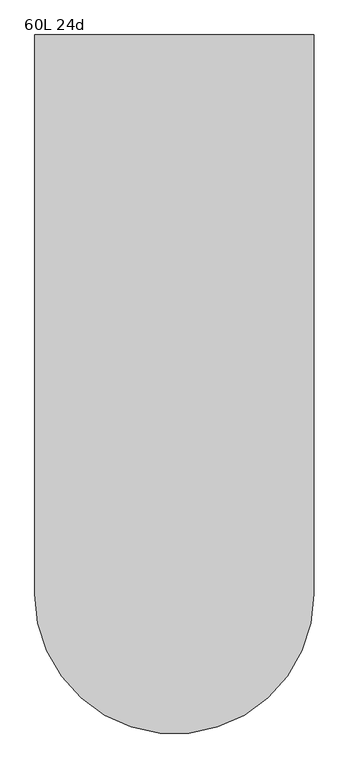
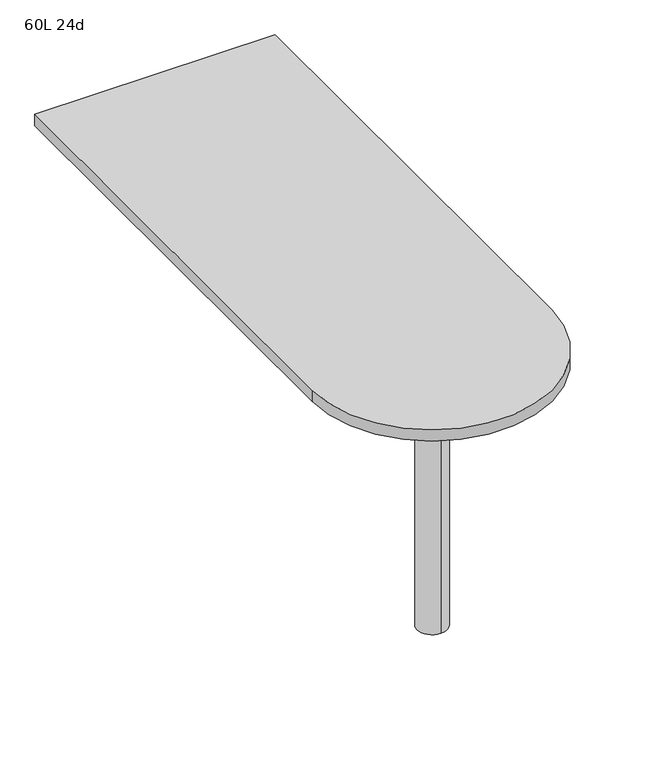
"""IFC4 building model written with IfcOpenShell, lengths in millimetres: furniture geometry, 60L 24d."""

from ifc_helpers import new_model, si_unit, point, frame, frame_2d, origin, place, context, project, spatial, polyline, circle_curve, trimmed, segment, composite_curve, outline, extrude, source, transform, mapped, element, save
from ifc_brep_helpers import plane_surface, cylinder_surface, advanced_brep


def furniture_60l_24d_52c4241e(model_context):
    return source(origin(), model_context, "Body", "SolidModel", [
        advanced_brep(
        [(0.0, -419.1, 706.4375), (0.0, -495.3, 706.4375), (0.0, -457.2, 706.4375), (0.0, -419.1, 0.0), (0.0, -495.3, 0.0), (0.0, -457.2, 0.0)],
        [
            (0, 1, circle_curve(frame((0.0, -457.2, 706.4375), z_axis=(0.0, 0.0, 1.0), x_axis=(0.0, -1.0, 0.0)), 38.1)),
            (1, 2),
            (2, 0),
            (1, 0, circle_curve(frame((0.0, -457.2, 706.4375), z_axis=(0.0, 0.0, 1.0), x_axis=(0.0, -1.0, 0.0)), 38.1)),
            (3, 4, circle_curve(frame((0.0, -457.2, 0.0), z_axis=(0.0, 0.0, 1.0), x_axis=(0.0, -1.0, 0.0)), 38.1)),
            (4, 1),
            (0, 3),
            (4, 3, circle_curve(frame((0.0, -457.2, 0.0), z_axis=(0.0, 0.0, 1.0), x_axis=(0.0, -1.0, 0.0)), 38.1)),
            (5, 4),
            (3, 5),
        ],
        [
            plane_surface(frame((0.0, -457.2, 706.4375), z_axis=(0.0, 0.0, 1.0), x_axis=(0.0, -1.0, 0.0))),
            cylinder_surface(frame((0.0, -457.2, 889.623257), z_axis=(0.0, 0.0, -1.0), x_axis=(0.0, -1.0, 0.0)), 38.1),
            plane_surface(frame((0.0, -457.2, 0.0), z_axis=(0.0, 0.0, -1.0), x_axis=(0.0, -1.0, 0.0))),
        ],
        [
            (0, [[1, 2, 3]]),
            (0, [[4, -3, -2]]),
            (1, [[5, 6, -1, 7]]),
            (1, [[8, -7, -4, -6]]),
            (2, [[9, -5, 10]]),
            (2, [[-10, -8, -9]]),
        ],
    ),
        extrude(outline(composite_curve([segment(polyline([(-304.8, -457.2), (-304.8, 762.0), (304.8, 762.0), (304.8, -457.2)]), True, "CONTINUOUS"), segment(trimmed(circle_curve(frame_2d((0.0, -457.2)), 304.8), [point((304.8, -457.2))], [point((-304.8, -457.2))], False, "CARTESIAN"), True, "CONTINUOUS")], self_intersect=False)), frame((0.0, 0.0, 706.4375), z_axis=(0.0, 0.0, 1.0), x_axis=(1.0, 0.0, 0.0)), (0.0, 0.0, 1.0), 30.1625),
    ])


if __name__ == "__main__":
    model = new_model("IFC4")
    model_context = context("Model", 3, world=origin())
    ifc_project = project(units=[si_unit("LENGTHUNIT", "METRE", prefix="MILLI")], contexts=[model_context])
    site = spatial("IfcSite", under=ifc_project)
    building = spatial("IfcBuilding", under=site)
    placement = place(None, origin())
    furniture_60l_24d_shape = furniture_60l_24d_52c4241e(model_context)
    element("IfcFurniture", 1, ObjectType="60L 24d", at=placement, inside=building, context=model_context, shape_type="MappedRepresentation", body=[
        mapped(furniture_60l_24d_shape, transform((0.0, 0.0, 0.0), x_axis=(1.0, 0.0, 0.0), y_axis=(0.0, 1.0, 0.0), z_axis=(0.0, 0.0, 1.0))),
    ])
    save(model, "model.ifc")
